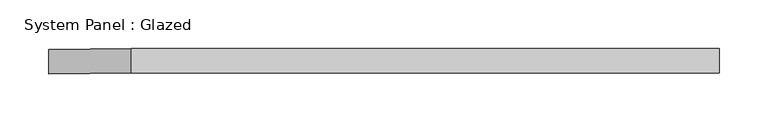
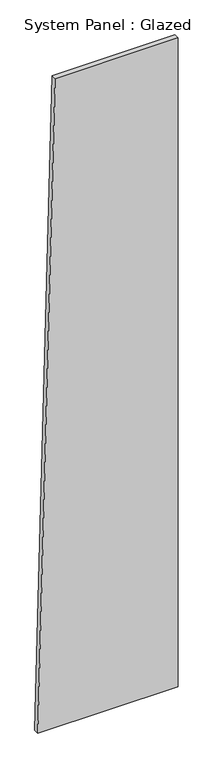
"""IFC4 building model written with IfcOpenShell, lengths in millimetres: plate geometry, System Panel : Glazed."""

import ifcopenshell
import ifcopenshell.guid

model = None  # the IFC model being written
_history = None  # IfcOwnerHistory: only IFC2X3 demands one
_inside = {}  # id of a spatial element -> (the spatial element, [elements in it])
_under = {}  # id of a project, library or spatial element -> (it, [spatial elements below it])
_declared = {}  # id of a project -> (the project, [libraries it declares])
_typed = {}  # id of a type object -> (the type object, [elements of that type])
_made_of = {}  # id of a material, layer set ... -> (it, [elements and type objects made of it])


def new_model(schema):
    """Start an empty IFC model of exactly this schema.

    Asked for "IFC4X3", IfcOpenShell would pick the latest addendum, in which some entities
    have other attributes; the version numbers below select the first issue.
    IFC2X3 requires an IfcOwnerHistory on every rooted entity: one is made here for all.
    """
    global model, _history
    if schema == "IFC4X3":
        model = ifcopenshell.file(schema_version=(4, 3, 0, 0))
    else:
        model = ifcopenshell.file(schema=schema)
    _inside.clear()
    _under.clear()
    _declared.clear()
    _typed.clear()
    _made_of.clear()
    _history = None
    if model.schema == "IFC2X3":
        org = make("IfcOrganization", Name="unknown")
        user = make(
            "IfcPersonAndOrganization",
            ThePerson=make("IfcPerson", FamilyName="unknown"),
            TheOrganization=org,
        )
        app = make(
            "IfcApplication",
            ApplicationDeveloper=org,
            Version="unknown",
            ApplicationFullName="unknown",
            ApplicationIdentifier="unknown",
        )
        _history = make(
            "IfcOwnerHistory",
            OwningUser=user,
            OwningApplication=app,
            ChangeAction="ADDED",
            CreationDate=0,
        )
    return model


def make(cls, **values):
    """One entity of the class cls with the attributes given. An attribute that is None is left unset."""
    return model.create_entity(
        cls, **{name: value for name, value in values.items() if value is not None}
    )


def rooted(cls, **values):
    """An entity with a GlobalId (a new one), such as an element, a storey or a relation."""
    return make(cls, GlobalId=ifcopenshell.guid.new(), OwnerHistory=_history, **values)


def si_unit(unit_type, name, prefix=None):
    """IfcSIUnit, for example si_unit("LENGTHUNIT", "METRE", prefix="MILLI")."""
    return make("IfcSIUnit", UnitType=unit_type, Prefix=prefix, Name=name)


def assignment(units):
    """IfcUnitAssignment: the units of a project."""
    return None if units is None else make("IfcUnitAssignment", Units=units)


def point(xyz):
    """IfcCartesianPoint."""
    return None if xyz is None else make("IfcCartesianPoint", Coordinates=xyz)


def direction(xyz):
    """IfcDirection."""
    return None if xyz is None else make("IfcDirection", DirectionRatios=xyz)


def frame(location, z_axis=None, x_axis=None):
    """IfcAxis2Placement3D, a coordinate frame: its origin and axes. An axis left out is left unset."""
    return make(
        "IfcAxis2Placement3D",
        Location=point(location),
        Axis=direction(z_axis),
        RefDirection=direction(x_axis),
    )


def origin():
    """The frame at (0, 0, 0) with its axes left unset."""
    return frame((0.0, 0.0, 0.0))


def place(relative_to, where):
    """IfcLocalPlacement: puts the frame where relative to a parent placement (None: the world)."""
    return make(
        "IfcLocalPlacement", PlacementRelTo=relative_to, RelativePlacement=where
    )


def context(
    kind, dimensions, precision=None, world=None, true_north=None, identifier=None
):
    """IfcGeometricRepresentationContext, for example the 3D "Model" context."""
    return make(
        "IfcGeometricRepresentationContext",
        ContextIdentifier=identifier,
        ContextType=kind,
        CoordinateSpaceDimension=dimensions,
        Precision=precision,
        WorldCoordinateSystem=world,
        TrueNorth=true_north,
    )


def project(units=None, contexts=None):
    """IfcProject with its units and contexts."""
    return rooted(
        "IfcProject",
        Name="project",
        RepresentationContexts=contexts,
        UnitsInContext=assignment(units),
    )


def spatial(cls, under=None, at=None, **own):
    """A site, building, storey or space (cls), placed at a placement, below another one or the project."""
    s = rooted(cls, ObjectPlacement=at, **own)
    if under is not None:
        _under.setdefault(under.id(), (under, []))[1].append(s)
    return s


def polyline(points):
    """IfcPolyline through the points."""
    return make("IfcPolyline", Points=[point(p) for p in points])


def outline(outer, holes=None, kind="AREA"):
    """IfcArbitraryClosedProfileDef: a profile drawn as a closed curve; with holes, ...WithVoids."""
    if holes is None:
        return make("IfcArbitraryClosedProfileDef", ProfileType=kind, OuterCurve=outer)
    return make(
        "IfcArbitraryProfileDefWithVoids",
        ProfileType=kind,
        OuterCurve=outer,
        InnerCurves=holes,
    )


def extrude(swept, where, along, depth):
    """IfcExtrudedAreaSolid: the profile swept, set in the frame where, extruded along a direction by depth."""
    return make(
        "IfcExtrudedAreaSolid",
        SweptArea=swept,
        Position=where,
        ExtrudedDirection=direction(along),
        Depth=depth,
    )


def shape(context_of_items, identifier, shape_type, items):
    """IfcShapeRepresentation: the items that make up one representation, for example the "Body"."""
    return make(
        "IfcShapeRepresentation",
        ContextOfItems=context_of_items,
        RepresentationIdentifier=identifier,
        RepresentationType=shape_type,
        Items=items,
    )


def source(mapping_origin, context_of_items, identifier, shape_type, items):
    """IfcRepresentationMap: a shape defined once, which mapped items show again and again."""
    return make(
        "IfcRepresentationMap",
        MappingOrigin=mapping_origin,
        MappedRepresentation=shape(context_of_items, identifier, shape_type, items),
    )


def transform(
    local_origin,
    x_axis=None,
    y_axis=None,
    z_axis=None,
    scale=None,
    scale2=None,
    scale3=None,
    uniform=True,
):
    """IfcCartesianTransformationOperator3D, or its non-uniform kind. x_axis, y_axis, z_axis: its Axis1, 2, 3."""
    if uniform:
        return make(
            "IfcCartesianTransformationOperator3D",
            Axis1=direction(x_axis),
            Axis2=direction(y_axis),
            LocalOrigin=point(local_origin),
            Scale=scale,
            Axis3=direction(z_axis),
        )
    return make(
        "IfcCartesianTransformationOperator3DnonUniform",
        Axis1=direction(x_axis),
        Axis2=direction(y_axis),
        LocalOrigin=point(local_origin),
        Scale=scale,
        Axis3=direction(z_axis),
        Scale2=scale2,
        Scale3=scale3,
    )


def mapped(mapping_source, mapping_target):
    """IfcMappedItem: shows the shape of a source again, moved by a transform."""
    return make(
        "IfcMappedItem", MappingSource=mapping_source, MappingTarget=mapping_target
    )


def made_of(thing, what):
    """Note that an element or type object is made of a material, layer set ...; save() writes the relation."""
    if what is not None:
        _made_of.setdefault(what.id(), (what, []))[1].append(thing)
    return thing


def element(
    cls,
    number,
    at=None,
    inside=None,
    cuts=None,
    type_object=None,
    material=None,
    context=None,
    identifier="Body",
    shape_type=None,
    held_by="IfcProductDefinitionShape",
    body=None,
    shapes=None,
    **own,
):
    """One element of the class cls, such as IfcWall. Its Tag is "e" and its number.

    at: its placement. inside: the storey or other place that contains it. cuts: it is an
    opening in that element (IfcRelVoidsElement). A single representation is given by context,
    identifier, shape_type and body (its items); several are given by shapes. held_by: the class
    of the entity that holds the representations. save() writes the other relations.
    """
    e = rooted(cls, Tag="e%d" % number, ObjectPlacement=at, **own)
    if body is not None:
        shapes = [shape(context, identifier, shape_type, body)]
    if shapes is not None:
        e.Representation = make(held_by, Representations=shapes)
    if inside is not None:
        _inside.setdefault(inside.id(), (inside, []))[1].append(e)
    if cuts is not None:
        rooted(
            "IfcRelVoidsElement", RelatingBuildingElement=cuts, RelatedOpeningElement=e
        )
    if type_object is not None:
        _typed.setdefault(type_object.id(), (type_object, []))[1].append(e)
    return made_of(e, material)


def aggregate(whole, parts):
    """IfcRelAggregates: a whole, such as a stair, and the parts it consists of."""
    return rooted("IfcRelAggregates", RelatingObject=whole, RelatedObjects=parts)


def save(model, path):
    """Write the relations noted so far, then the file.

    IfcRelAggregates (storeys below a building ...), IfcRelContainedInSpatialStructure (elements
    in a storey), IfcRelDefinesByType, IfcRelAssociatesMaterial and IfcRelDeclares: one each for
    every whole, place, type object, material and project.
    """
    for whole, parts in _under.values():
        aggregate(whole, parts)
    for where, things in _inside.values():
        rooted(
            "IfcRelContainedInSpatialStructure",
            RelatedElements=things,
            RelatingStructure=where,
        )
    for kind, things in _typed.values():
        rooted("IfcRelDefinesByType", RelatedObjects=things, RelatingType=kind)
    for what, things in _made_of.values():
        rooted("IfcRelAssociatesMaterial", RelatedObjects=things, RelatingMaterial=what)
    for by, libraries in _declared.values():
        rooted("IfcRelDeclares", RelatingContext=by, RelatedDefinitions=libraries)
    model.write(path)


def system_panel_glazed_13e280da(model_context):
    return source(origin(), model_context, "Body", "SweptSolid", [
        extrude(outline(polyline([(0.0, -342.0095696), (0.0, 342.0095696), (3341.4626538, 342.0095696), (3341.4626538, -257.9904304), (0.0, -342.0095696)])), frame((0.0, -49.5, 0.0), z_axis=(0.0, 1.0, 0.0), x_axis=(0.0, 0.0, 1.0)), (0.0, 0.0, 1.0), 25.0),
    ])


if __name__ == "__main__":
    model = new_model("IFC4")
    model_context = context("Model", 3, world=origin())
    ifc_project = project(units=[si_unit("LENGTHUNIT", "METRE", prefix="MILLI")], contexts=[model_context])
    site = spatial("IfcSite", under=ifc_project)
    building = spatial("IfcBuilding", under=site)
    placement = place(None, origin())
    system_panel_glazed_shape = system_panel_glazed_13e280da(model_context)
    element("IfcPlate", 1, ObjectType="System Panel : Glazed", at=placement, inside=building, context=model_context, shape_type="MappedRepresentation", body=[
        mapped(system_panel_glazed_shape, transform((0.0, 0.0, 0.0), x_axis=(1.0, 0.0, 0.0), y_axis=(0.0, 1.0, 0.0), z_axis=(0.0, 0.0, 1.0))),
    ])
    save(model, "model.ifc")
